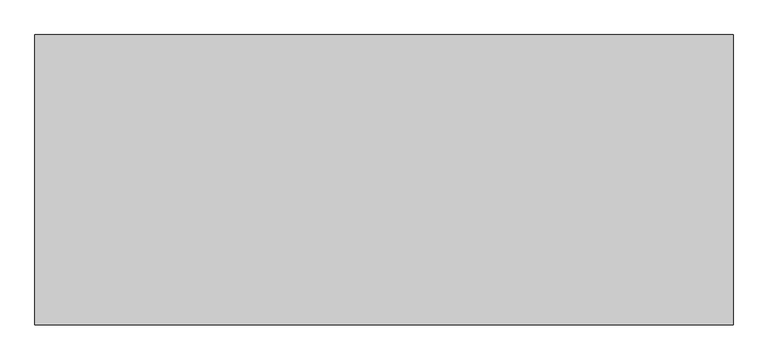
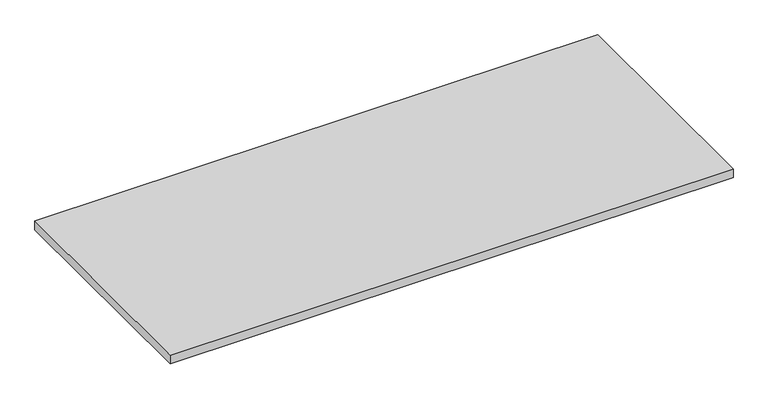
"""IFC4 building model written with IfcOpenShell, lengths in millimetres: furniture geometry."""

from ifc_helpers import new_model, si_unit, frame, origin, place, context, project, spatial, polyline, outline, extrude, source, transform, mapped, element, save


def furniture_ff97a0d3(model_context):
    return source(origin(), model_context, "Body", "SweptSolid", [
        extrude(outline(polyline([(1828.7999999, -3.0467299), (1828.7999999, -762.0), (3.1750001, -762.0), (3.1750001, -3.0467299), (1828.7999999, -3.0467299)])), frame((0.0, 0.0, 852.678), z_axis=(0.0, 0.0, 1.0), x_axis=(1.0, 0.0, 0.0)), (0.0, 0.0, 1.0), 29.972),
    ])


if __name__ == "__main__":
    model = new_model("IFC4")
    model_context = context("Model", 3, world=origin())
    ifc_project = project(units=[si_unit("LENGTHUNIT", "METRE", prefix="MILLI")], contexts=[model_context])
    site = spatial("IfcSite", under=ifc_project)
    building = spatial("IfcBuilding", under=site)
    placement = place(None, origin())
    furniture_shape = furniture_ff97a0d3(model_context)
    element("IfcFurniture", 1, at=placement, inside=building, context=model_context, shape_type="MappedRepresentation", body=[
        mapped(furniture_shape, transform((0.0, 0.0, 0.0), x_axis=(1.0, 0.0, 0.0), y_axis=(0.0, 1.0, 0.0), z_axis=(0.0, 0.0, 1.0))),
    ])
    save(model, "model.ifc")
